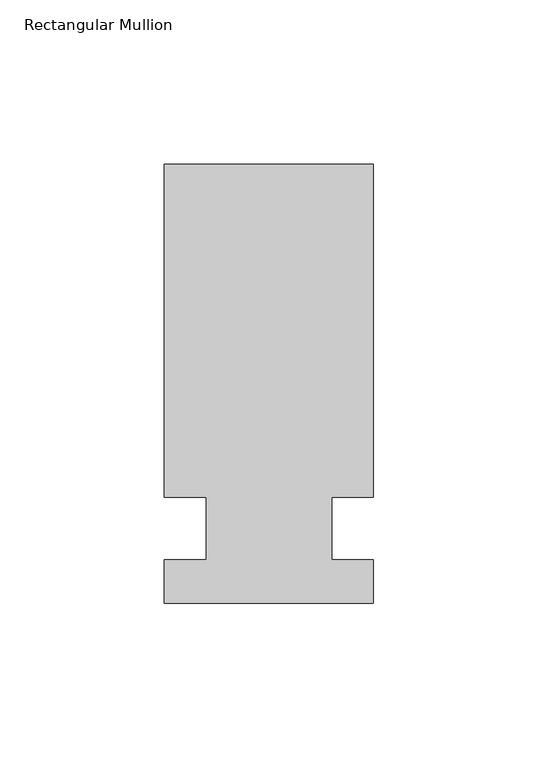
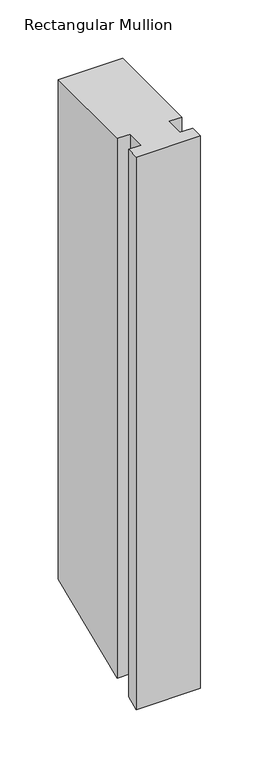
"""IFC4 building model written with IfcOpenShell, lengths in millimetres: member geometry, Rectangular Mullion."""

from ifc_helpers import new_model, si_unit, origin, place, context, project, spatial, faceted_brep, source, transform, mapped, element, save


def rectangular_mullion_080df5ac(model_context):
    return source(origin(), model_context, "Body", "Brep", [
        faceted_brep([(-63.5, 133.4396937, 0.0), (-63.5, 32.2460938, 0.0), (-50.8, 32.2460937, 0.0), (-50.8, 13.1960937, 0.0), (-63.5, 13.1960937, 0.0), (-63.5, 0.0134937, 0.0), (0.0, 0.0134937, 0.0), (0.0, 13.1960937, 0.0), (-12.7, 13.1960937, 0.0), (-12.7, 32.2460938, 0.0), (0.0, 32.2460937, 0.0), (0.0, 133.4396937, 0.0), (-63.5, 133.4396937, -522.5774691), (-63.5, 32.2460938, -564.4932306), (-50.8, 32.2460937, -564.4932306), (-50.8, 13.1960937, -572.383999), (-63.5, 13.1960937, -572.383999), (-63.5, 0.0134937, -577.8444107), (0.0, 0.0134937, -577.8444107), (0.0, 13.1960937, -572.383999), (-12.7, 13.1960937, -572.383999), (-12.7, 32.2460938, -564.4932306), (0.0, 32.2460937, -564.4932306), (0.0, 133.4396937, -522.5774691)], [[[0, 1, 2, 3, 4, 5, 6, 7, 8, 9, 10, 11]], [[1, 0, 12, 13]], [[2, 1, 13, 14]], [[3, 2, 14, 15]], [[4, 3, 15, 16]], [[5, 4, 16, 17]], [[6, 5, 17, 18]], [[7, 6, 18, 19]], [[8, 7, 19, 20]], [[9, 8, 20, 21]], [[10, 9, 21, 22]], [[11, 10, 22, 23]], [[0, 11, 23, 12]], [[12, 23, 22, 21, 20, 19, 18, 17, 16, 15, 14, 13]]]),
    ])


if __name__ == "__main__":
    model = new_model("IFC4")
    model_context = context("Model", 3, world=origin())
    ifc_project = project(units=[si_unit("LENGTHUNIT", "METRE", prefix="MILLI")], contexts=[model_context])
    site = spatial("IfcSite", under=ifc_project)
    building = spatial("IfcBuilding", under=site)
    placement = place(None, origin())
    rectangular_mullion_shape = rectangular_mullion_080df5ac(model_context)
    element("IfcMember", 1, ObjectType="Rectangular Mullion", at=placement, inside=building, context=model_context, shape_type="MappedRepresentation", body=[
        mapped(rectangular_mullion_shape, transform((0.0, 0.0, 0.0), x_axis=(1.0, 0.0, 0.0), y_axis=(0.0, 1.0, 0.0), z_axis=(0.0, 0.0, 1.0))),
    ])
    save(model, "model.ifc")
